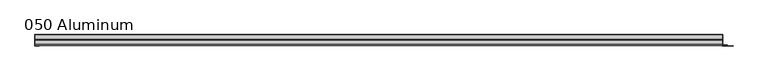
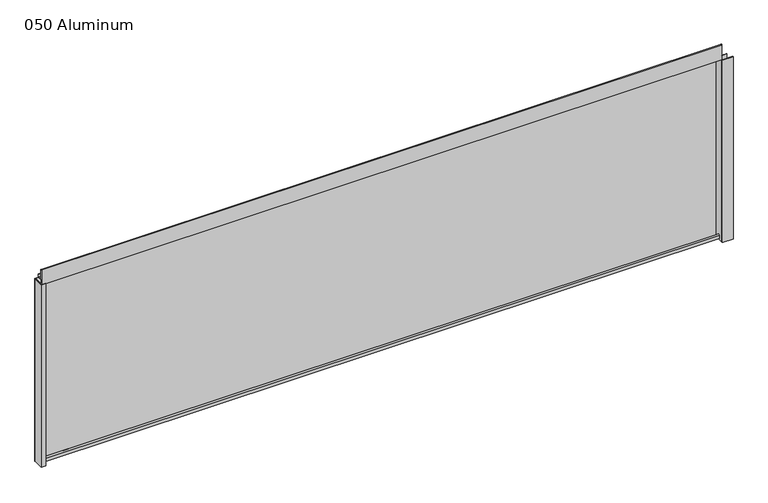
"""IFC4 building model written with IfcOpenShell, lengths in millimetres: plate geometry, 050 Aluminum."""

from ifc_helpers import new_model, si_unit, point, frame, frame_2d, origin, origin_with_axes, place, context, project, spatial, polyline, circle_curve, trimmed, segment, composite_curve, outline, extrude, source, transform, mapped, element, save


def plate_050_aluminum_4fd28294(model_context):
    return source(origin(), model_context, "Body", "SweptSolid", [
        extrude(outline(polyline([(-1078.0977083, 2.5660257), (-1065.2072077, 2.5660257), (-1065.2072077, 1.2699999), (-1079.3677082, 1.2699999), (-1079.3677082, 34.7980001), (-1078.0977083, 34.7980001), (-1078.0977083, 2.5660257)])), origin_with_axes(), (0.0, 0.0, 1.0), 608.33),
        extrude(outline(composite_curve([segment(trimmed(circle_curve(frame_2d((19.8514743, 13.124237)), 3.175), [point((16.6765477, 13.1458337))], [point((23.0264743, 13.124237))], False, "CARTESIAN"), True, "CONTINUOUS"), segment(polyline([(23.0264743, 13.124237), (23.0264743, 1.2693678), (34.7980002, 1.2693678), (34.7980002, 0.0), (21.7564743, 0.0), (21.7564743, 13.124237)]), True, "CONTINUOUS"), segment(trimmed(circle_curve(frame_2d((19.8514743, 13.124237)), 1.905), [point((21.7564743, 13.124237))], [point((17.9464915, 13.1323356))], True, "CARTESIAN"), True, "CONTINUOUS"), segment(polyline([(17.9464915, 13.1323356), (17.9464915, 2.786437), (16.6765477, 2.786437), (16.6765477, 13.1458337)]), True, "CONTINUOUS")], self_intersect=False)), frame((-1078.0977083, 0.0, 0.0), z_axis=(1.0, 0.0, 0.0), x_axis=(0.0, 1.0, 0.0)), (0.0, 0.0, 1.0), 2143.4954165),
        extrude(outline(composite_curve([segment(trimmed(circle_curve(frame_2d((3.7084742, 656.7932001)), 1.6509999), [point((2.0574743, 656.7932001))], [point((5.3594742, 656.7932001))], False, "CARTESIAN"), True, "CONTINUOUS"), segment(polyline([(5.3594742, 656.7932001), (5.3594742, 623.57), (19.2164743, 623.57), (19.2164743, 633.6538), (20.4864742, 633.6538), (20.4864742, 622.3), (4.0894742, 622.3), (4.0894742, 656.7932001)]), True, "CONTINUOUS"), segment(trimmed(circle_curve(frame_2d((3.7084742, 656.7932001)), 0.3809999), [point((4.0894742, 656.7932001))], [point((3.3274743, 656.7932001))], True, "CARTESIAN"), True, "CONTINUOUS"), segment(polyline([(3.3274743, 656.7932001), (3.3274743, 609.6000001), (34.7980002, 609.6000001), (34.7980002, 608.33), (2.0574743, 608.33), (2.0574743, 656.7932001)]), True, "CONTINUOUS")], self_intersect=False)), frame((-1078.0977083, 0.0, 0.0), z_axis=(1.0, 0.0, 0.0), x_axis=(0.0, 1.0, 0.0)), (0.0, 0.0, 1.0), 2143.4954165),
        extrude(outline(polyline([(-1079.3677083, 36.068), (1066.6677083, 36.068), (1066.6677083, 34.7980001), (-1079.3677083, 34.7980001), (-1079.3677083, 36.068)])), origin_with_axes(), (0.0, 0.0, 1.0), 609.6),
        extrude(outline(polyline([(1066.6677083, 1.2699999), (1099.1797939, 1.2699999), (1099.1797939, 0.0), (1065.3977083, 0.0), (1065.3977083, 34.7980002), (1066.6677083, 34.7980002), (1066.6677083, 1.2699999)])), origin_with_axes(), (0.0, 0.0, 1.0), 608.33),
        extrude(outline(polyline([(1065.3977083, 3.3274743), (1081.1457082, 3.3274743), (1081.1457082, 2.0574743), (1065.3977083, 2.0574743), (1065.3977083, 3.3274743)])), origin_with_axes(), (0.0, 0.0, 1.0), 622.3),
    ])


if __name__ == "__main__":
    model = new_model("IFC4")
    model_context = context("Model", 3, world=origin())
    ifc_project = project(units=[si_unit("LENGTHUNIT", "METRE", prefix="MILLI")], contexts=[model_context])
    site = spatial("IfcSite", under=ifc_project)
    building = spatial("IfcBuilding", under=site)
    placement = place(None, origin())
    plate_050_aluminum_shape = plate_050_aluminum_4fd28294(model_context)
    element("IfcPlate", 1, ObjectType="050 Aluminum", at=placement, inside=building, context=model_context, shape_type="MappedRepresentation", body=[
        mapped(plate_050_aluminum_shape, transform((0.0, 0.0, 0.0), x_axis=(1.0, 0.0, 0.0), y_axis=(0.0, 1.0, 0.0), z_axis=(0.0, 0.0, 1.0))),
    ])
    save(model, "model.ifc")
